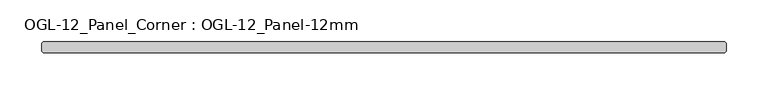
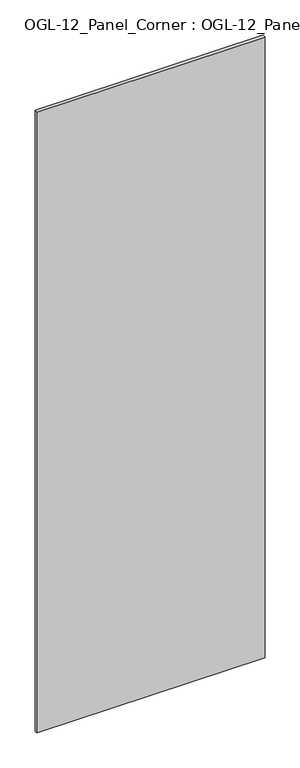
"""IFC4 building model written with IfcOpenShell, lengths in millimetres: plate geometry, OGL-12_Panel_Corner : OGL-12_Panel-12mm."""

from ifc_helpers import new_model, si_unit, origin, origin_with_axes, place, context, project, spatial, polyline, outline, extrude, source, transform, mapped, element, save


def ogl_12_panel_corner_ogl_12_panel_12mm_c6a8f2ce(model_context):
    return source(origin(), model_context, "Body", "SweptSolid", [
        extrude(outline(polyline([(405.9200676, -6.35), (-405.9200676, -6.35), (-407.5075676, -4.7625), (-407.5075676, 4.7625), (-405.9200676, 6.35), (405.9200676, 6.35), (407.5075676, 4.7625), (407.5075676, -4.7625), (405.9200676, -6.35)])), origin_with_axes(), (0.0, 0.0, 1.0), 2339.914687),
    ])


if __name__ == "__main__":
    model = new_model("IFC4")
    model_context = context("Model", 3, world=origin())
    ifc_project = project(units=[si_unit("LENGTHUNIT", "METRE", prefix="MILLI")], contexts=[model_context])
    site = spatial("IfcSite", under=ifc_project)
    building = spatial("IfcBuilding", under=site)
    placement = place(None, origin())
    ogl_12_panel_corner_ogl_12_panel_12mm_shape = ogl_12_panel_corner_ogl_12_panel_12mm_c6a8f2ce(model_context)
    element("IfcPlate", 1, ObjectType="OGL-12_Panel_Corner : OGL-12_Panel-12mm", at=placement, inside=building, context=model_context, shape_type="MappedRepresentation", body=[
        mapped(ogl_12_panel_corner_ogl_12_panel_12mm_shape, transform((0.0, 0.0, 0.0), x_axis=(1.0, 0.0, 0.0), y_axis=(0.0, 1.0, 0.0), z_axis=(0.0, 0.0, 1.0))),
    ])
    save(model, "model.ifc")
